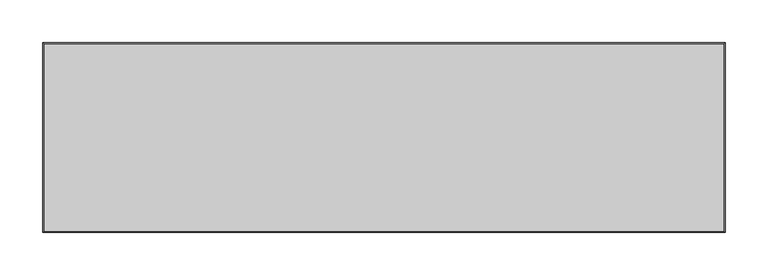
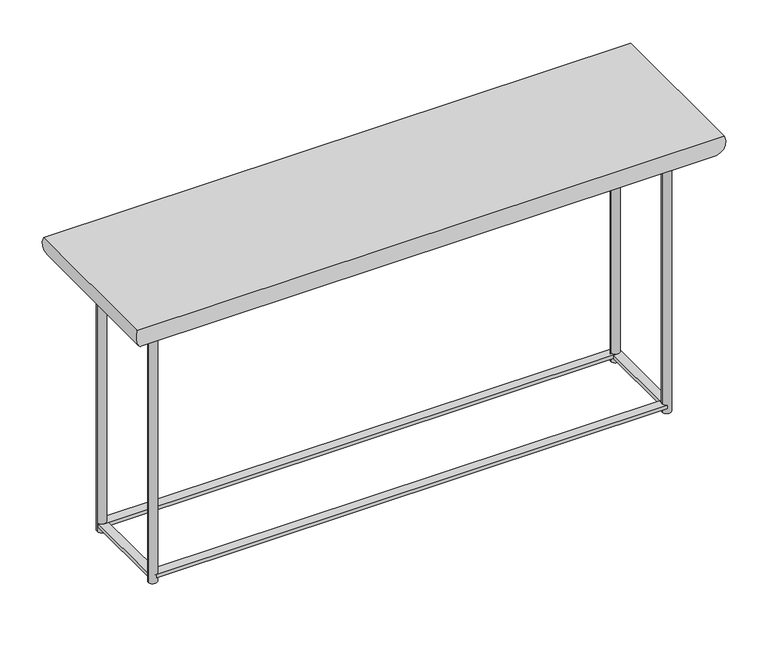
"""IFC4 building model written with IfcOpenShell, lengths in millimetres: furniture geometry."""

from ifc_helpers import new_model, si_unit, point, frame, frame_2d, origin, origin_with_axes, place, context, project, spatial, polyline, circle_curve, ellipse_curve, trimmed, segment, composite_curve, outline, extrude, source, transform, mapped, element, save
from ifc_brep_helpers import plane_surface, cylinder_surface, advanced_brep


def furniture_14442564(model_context):
    return source(origin(), model_context, "Body", "SolidModel", [
        extrude(outline(composite_curve([segment(trimmed(circle_curve(frame_2d((350.0628, 60.5004981)), 6.096), [point((356.1588, 60.5004981))], [point((343.9668, 60.5004981))], False, "CARTESIAN"), True, "CONTINUOUS"), segment(trimmed(circle_curve(frame_2d((350.0628, 60.5004981)), 6.096), [point((343.9668, 60.5004981))], [point((356.1588, 60.5004981))], False, "CARTESIAN"), True, "CONTINUOUS")], self_intersect=False)), origin_with_axes(), (0.0, 0.0, 1.0), 368.94008),
        extrude(outline(composite_curve([segment(trimmed(circle_curve(frame_2d((350.0628, -60.5004981)), 6.096), [point((356.1588, -60.5004981))], [point((343.9668, -60.5004981))], False, "CARTESIAN"), True, "CONTINUOUS"), segment(trimmed(circle_curve(frame_2d((350.0628, -60.5004981)), 6.096), [point((343.9668, -60.5004981))], [point((356.1588, -60.5004981))], False, "CARTESIAN"), True, "CONTINUOUS")], self_intersect=False)), origin_with_axes(), (0.0, 0.0, 1.0), 368.94008),
        extrude(outline(composite_curve([segment(trimmed(circle_curve(frame_2d((-350.0628, 60.5004981)), 6.096), [point((-343.9668, 60.5004981))], [point((-356.1588, 60.5004981))], False, "CARTESIAN"), True, "CONTINUOUS"), segment(trimmed(circle_curve(frame_2d((-350.0628, 60.5004981)), 6.096), [point((-356.1588, 60.5004981))], [point((-343.9668, 60.5004981))], False, "CARTESIAN"), True, "CONTINUOUS")], self_intersect=False)), origin_with_axes(), (0.0, 0.0, 1.0), 368.94008),
        advanced_brep(
        [(369.85956, 80.2972581, 368.94008), (400.05, 110.4876981, 408.94), (400.05, -110.4876981, 408.94), (369.85956, -80.2972581, 368.94008), (-400.05, -110.4876981, 408.94), (-369.85956, -80.2972581, 368.94008), (-400.05, 110.4876981, 408.94), (-369.85956, 80.2972581, 368.94008)],
        [
            (0, 1, ellipse_curve(frame((369.85956, 80.2972581, 400.3333461), z_axis=(0.7071067811865475, -0.7071067811865475, 0.0), x_axis=(0.7071067811865474, 0.7071067811865476, 0.0)), 44.3967827, 31.3932661)),
            (1, 2),
            (2, 3, ellipse_curve(frame((369.85956, -80.2972581, 400.3333461), z_axis=(0.7071067811865475, 0.7071067811865475, 0.0), x_axis=(-0.7071067811865474, 0.7071067811865476, 0.0)), 44.3967827, 31.3932661)),
            (3, 0),
            (2, 4),
            (4, 5, ellipse_curve(frame((-369.85956, -80.2972581, 400.3333461), z_axis=(0.7071067811865475, -0.7071067811865475, 0.0), x_axis=(0.7071067811865476, 0.7071067811865474, 0.0)), 44.3967827, 31.3932661)),
            (5, 3),
            (4, 6),
            (6, 7, ellipse_curve(frame((-369.85956, 80.2972581, 400.3333461), z_axis=(-0.7071067811865475, -0.7071067811865475, 0.0), x_axis=(0.7071067811865474, -0.7071067811865476, 0.0)), 44.3967827, 31.3932661)),
            (7, 5),
            (1, 6),
            (0, 7),
        ],
        [
            cylinder_surface(frame((369.85956, 60.5004981, 400.3333461), z_axis=(0.0, 1.0, 0.0), x_axis=(1.0, 0.0, 0.0)), 31.3932661),
            cylinder_surface(frame((350.0628, -80.2972581, 400.3333461), z_axis=(1.0, 0.0, 0.0), x_axis=(0.0, -1.0, 0.0)), 31.3932661),
            cylinder_surface(frame((-369.85956, -60.5004981, 400.3333461), z_axis=(0.0, -1.0, 0.0), x_axis=(-1.0, 0.0, 0.0)), 31.3932661),
            plane_surface(frame((-350.0628, 60.5004981, 408.94), z_axis=(0.0, 0.0, 1.0), x_axis=(1.0, 0.0, 0.0))),
            cylinder_surface(frame((-350.0628, 80.2972581, 400.3333461), z_axis=(-1.0, 0.0, 0.0), x_axis=(0.0, 1.0, 0.0)), 31.3932661),
            plane_surface(frame((-369.85956, 80.2972581, 368.94008), z_axis=(0.0, 0.0, -1.0), x_axis=(1.0, 0.0, 0.0))),
        ],
        [
            (0, [[1, 2, 3, 4]]),
            (1, [[-3, 5, 6, 7]]),
            (2, [[-6, 8, 9, 10]]),
            (3, [[-2, 11, -8, -5]]),
            (4, [[-1, 12, -9, -11]]),
            (5, [[-4, -7, -10, -12]]),
        ],
    ),
        extrude(outline(composite_curve([segment(trimmed(circle_curve(frame_2d((-350.0628, 60.5004981)), 5.99948), [point((-356.06228, 60.5004981))], [point((-344.06332, 60.5004981))], False, "CARTESIAN"), True, "CONTINUOUS"), segment(trimmed(circle_curve(frame_2d((-350.0628, 60.5004981)), 5.99948), [point((-344.06332, 60.5004981))], [point((-356.06228, 60.5004981))], False, "CARTESIAN"), True, "CONTINUOUS")], self_intersect=False)), origin_with_axes(), (0.0, 0.0, 1.0), 368.94008),
        extrude(outline(composite_curve([segment(trimmed(circle_curve(frame_2d((-350.0628, -60.5004981)), 6.096), [point((-343.9668, -60.5004981))], [point((-356.1588, -60.5004981))], False, "CARTESIAN"), True, "CONTINUOUS"), segment(trimmed(circle_curve(frame_2d((-350.0628, -60.5004981)), 6.096), [point((-356.1588, -60.5004981))], [point((-343.9668, -60.5004981))], False, "CARTESIAN"), True, "CONTINUOUS")], self_intersect=False)), origin_with_axes(), (0.0, 0.0, 1.0), 368.94008),
        extrude(outline(polyline([(350.0628, -54.4044981), (350.0628, -66.5964981), (-350.0628, -66.5964981), (-350.0628, -54.4044981), (350.0628, -54.4044981)])), frame((0.0, 0.0, 7.45998), z_axis=(0.0, 0.0, 1.0), x_axis=(1.0, 0.0, 0.0)), (0.0, 0.0, 1.0), 5.08),
        extrude(outline(polyline([(350.0628, 66.5964981), (350.0628, 54.4044981), (-350.0628, 54.4044981), (-350.0628, 66.5964981), (350.0628, 66.5964981)])), frame((0.0, 0.0, 7.45998), z_axis=(0.0, 0.0, 1.0), x_axis=(1.0, 0.0, 0.0)), (0.0, 0.0, 1.0), 5.08),
        extrude(outline(polyline([(356.1588, -60.5004981), (343.9668, -60.5004981), (343.9668, 60.5004981), (356.1588, 60.5004981), (356.1588, -60.5004981)])), frame((0.0, 0.0, 7.45998), z_axis=(0.0, 0.0, 1.0), x_axis=(1.0, 0.0, 0.0)), (0.0, 0.0, 1.0), 5.08),
        extrude(outline(polyline([(-343.9668, -60.5004981), (-356.1588, -60.5004981), (-356.1588, 60.5004981), (-343.9668, 60.5004981), (-343.9668, -60.5004981)])), frame((0.0, 0.0, 7.45998), z_axis=(0.0, 0.0, 1.0), x_axis=(1.0, 0.0, 0.0)), (0.0, 0.0, 1.0), 5.08),
    ])


if __name__ == "__main__":
    model = new_model("IFC4")
    model_context = context("Model", 3, world=origin())
    ifc_project = project(units=[si_unit("LENGTHUNIT", "METRE", prefix="MILLI")], contexts=[model_context])
    site = spatial("IfcSite", under=ifc_project)
    building = spatial("IfcBuilding", under=site)
    placement = place(None, origin())
    furniture_shape = furniture_14442564(model_context)
    element("IfcFurniture", 1, at=placement, inside=building, context=model_context, shape_type="MappedRepresentation", body=[
        mapped(furniture_shape, transform((0.0, 0.0, 0.0), x_axis=(1.0, 0.0, 0.0), y_axis=(0.0, 1.0, 0.0), z_axis=(0.0, 0.0, 1.0))),
    ])
    save(model, "model.ifc")
